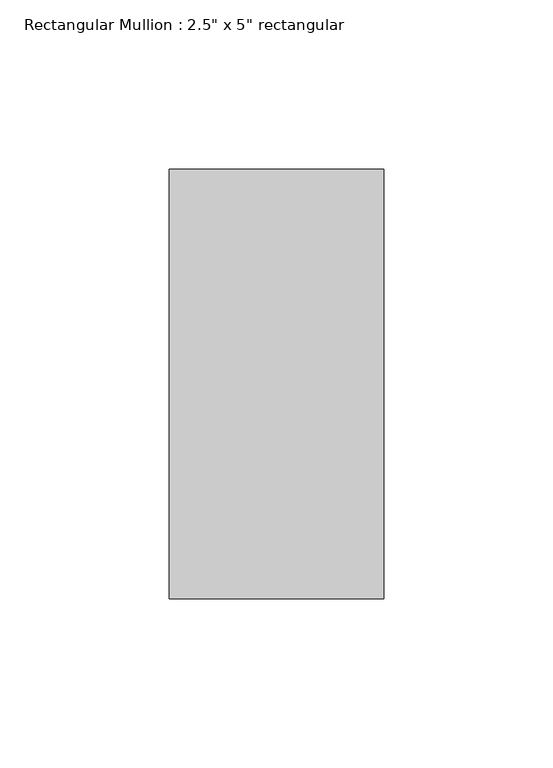
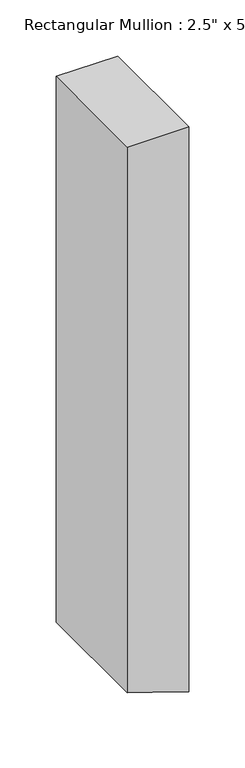
"""IFC4 building model written with IfcOpenShell, lengths in millimetres: member geometry."""

from ifc_helpers import new_model, si_unit, frame, origin, place, context, project, spatial, polyline, outline, extrude, source, transform, mapped, element, save


def member_520b15fd(model_context):
    return source(origin(), model_context, "Body", "SweptSolid", [
        extrude(outline(polyline([(0.0, 31.75), (0.0, -31.75), (-594.7543956, -31.75), (-611.6497646, 19.7828002), (-615.57329, 31.75), (0.0, 31.75)])), frame((0.0, -63.5, 0.0), z_axis=(0.0, 1.0, 0.0), x_axis=(0.0, 0.0, 1.0)), (0.0, 0.0, 1.0), 127.0),
    ])


if __name__ == "__main__":
    model = new_model("IFC4")
    model_context = context("Model", 3, world=origin())
    ifc_project = project(units=[si_unit("LENGTHUNIT", "METRE", prefix="MILLI")], contexts=[model_context])
    site = spatial("IfcSite", under=ifc_project)
    building = spatial("IfcBuilding", under=site)
    placement = place(None, origin())
    member_shape = member_520b15fd(model_context)
    element("IfcMember", 1, ObjectType="Rectangular Mullion : 2.5\" x 5\" rectangular", at=placement, inside=building, context=model_context, shape_type="MappedRepresentation", body=[
        mapped(member_shape, transform((0.0, 0.0, 0.0), x_axis=(1.0, 0.0, 0.0), y_axis=(0.0, 1.0, 0.0), z_axis=(0.0, 0.0, 1.0))),
    ])
    save(model, "model.ifc")
